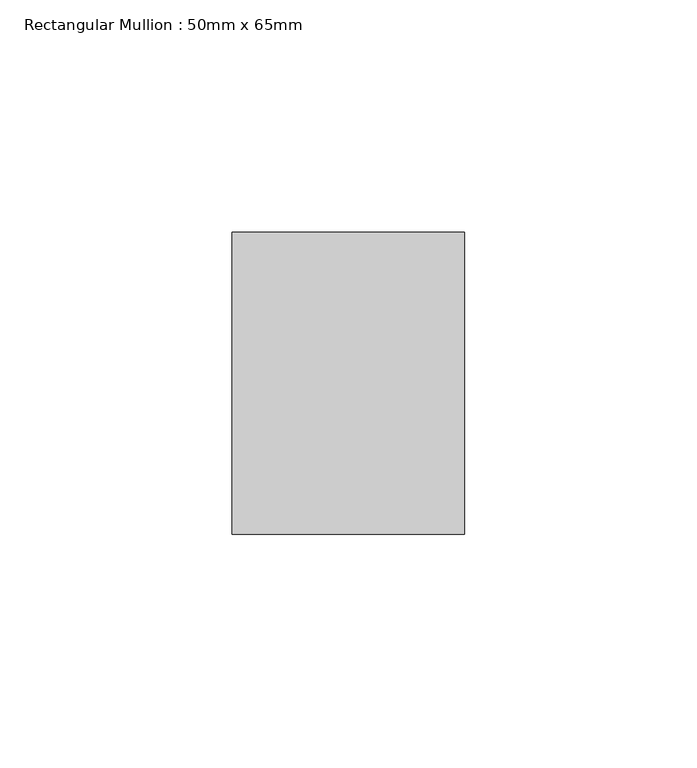
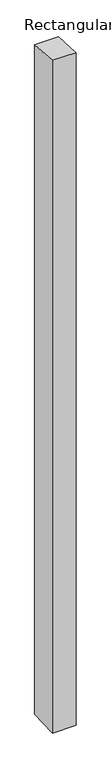
"""IFC4 building model written with IfcOpenShell, lengths in millimetres: member geometry, Rectangular Mullion : 50mm x 65mm."""

from ifc_helpers import new_model, si_unit, origin, place, context, project, spatial, faceted_brep, source, transform, mapped, element, save


def rectangular_mullion_50mm_x_65mm_bddcddfe(model_context):
    return source(origin(), model_context, "Body", "Brep", [
        faceted_brep([(-25.0, 32.5, -2.1659768), (25.0, 32.5, -2.1659764), (25.0, 32.5, -1498.7588319), (-25.0, 32.5, -1498.7588317), (-25.0, -32.5, 2.1659764), (-25.0, -32.5, -1501.2410136), (25.0, -32.5, 2.1659768), (25.0, -32.5, -1501.2410139)], [[[0, 1, 2, 3]], [[4, 0, 3, 5]], [[6, 4, 5, 7]], [[1, 6, 7, 2]], [[1, 0, 4, 6]], [[2, 7, 5, 3]]]),
    ])


if __name__ == "__main__":
    model = new_model("IFC4")
    model_context = context("Model", 3, world=origin())
    ifc_project = project(units=[si_unit("LENGTHUNIT", "METRE", prefix="MILLI")], contexts=[model_context])
    site = spatial("IfcSite", under=ifc_project)
    building = spatial("IfcBuilding", under=site)
    placement = place(None, origin())
    rectangular_mullion_50mm_x_65mm_shape = rectangular_mullion_50mm_x_65mm_bddcddfe(model_context)
    element("IfcMember", 1, ObjectType="Rectangular Mullion : 50mm x 65mm", at=placement, inside=building, context=model_context, shape_type="MappedRepresentation", body=[
        mapped(rectangular_mullion_50mm_x_65mm_shape, transform((0.0, 0.0, 0.0), x_axis=(1.0, 0.0, 0.0), y_axis=(0.0, 1.0, 0.0), z_axis=(0.0, 0.0, 1.0))),
    ])
    save(model, "model.ifc")
